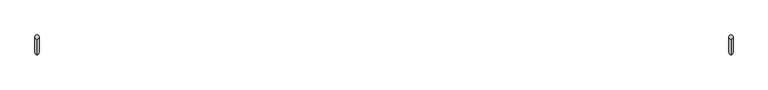
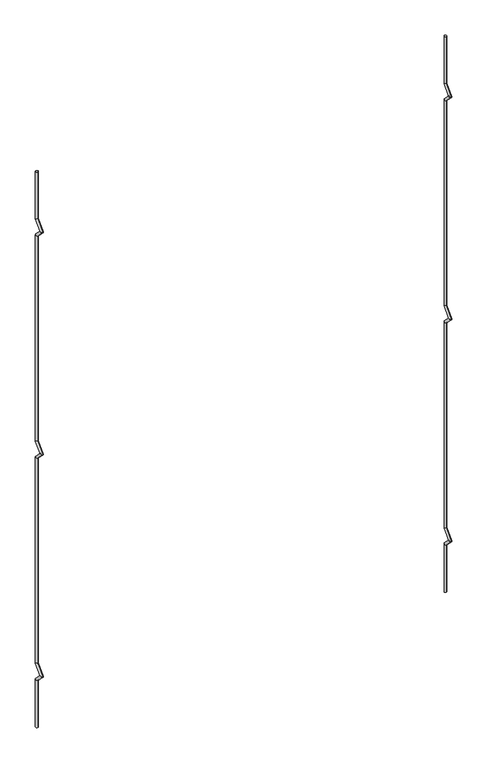
"""IFC4 building model written with IfcOpenShell, lengths in millimetres: railing geometry."""

from ifc_helpers import new_model, si_unit, frame, origin, place, context, project, spatial, circle_curve, ellipse_curve, source, transform, mapped, element, save
from ifc_brep_helpers import plane_surface, cylinder_surface, advanced_brep


def railing_22e59eec(model_context):
    return source(origin(), model_context, "Body", "AdvancedBrep", [
        advanced_brep(
        [(-19528.4056958, 13589.3554142, 25.4), (-19528.4056958, 13583.0054142, 25.4), (-19528.4056958, 13583.0054142, 154.0342316), (-19528.4056958, 13589.3554142, 156.6644878), (-19528.4056958, 13559.2396458, 177.8), (-19528.4056958, 13568.219902, 177.8), (-19528.4056958, 13583.0054142, 201.5657684), (-19528.4056958, 13589.3554142, 198.9355122), (-19528.4056958, 13583.0054142, 763.6342316), (-19528.4056958, 13589.3554142, 766.2644878), (-19528.4056958, 13559.2396458, 787.4), (-19528.4056958, 13568.219902, 787.4), (-19528.4056958, 13583.0054142, 811.1657684), (-19528.4056958, 13589.3554142, 808.5355122), (-19528.4056958, 13583.0054142, 1373.2342316), (-19528.4056958, 13589.3554142, 1375.8644878), (-19528.4056958, 13559.2396458, 1397.0), (-19528.4056958, 13568.219902, 1397.0), (-19528.4056958, 13583.0054142, 1420.7657684), (-19528.4056958, 13589.3554142, 1418.1355122), (-19528.4056958, 13589.3554142, 1549.4), (-19528.4056958, 13583.0054142, 1549.4)],
        [
            (0, 1, circle_curve(frame((-19528.4056958, 13586.1804142, 25.4), z_axis=(0.0, 0.0, -1.0), x_axis=(0.0, -1.0, 0.0)), 3.175)),
            (1, 0, circle_curve(frame((-19528.4056958, 13586.1804142, 25.4), z_axis=(0.0, 0.0, -1.0), x_axis=(0.0, -1.0, 0.0)), 3.175)),
            (1, 2),
            (2, 3, ellipse_curve(frame((-19528.4056958, 13586.1804142, 155.3493597), z_axis=(0.0, 0.3826834323650955, -0.9238795325112844), x_axis=(0.0, -0.9238795325112845, -0.38268343236509544)), 3.4365952, 3.175)),
            (3, 0),
            (3, 2, ellipse_curve(frame((-19528.4056958, 13586.1804142, 155.3493597), z_axis=(0.0, 0.3826834323650955, -0.9238795325112844), x_axis=(0.0, -0.9238795325112845, -0.38268343236509544)), 3.4365952, 3.175)),
            (2, 4),
            (4, 5, ellipse_curve(frame((-19528.4056958, 13563.7297739, 177.8), z_axis=(0.0, 0.0, -1.0), x_axis=(0.0, 1.0, 0.0)), 4.4901281, 3.175)),
            (5, 3),
            (5, 4, ellipse_curve(frame((-19528.4056958, 13563.7297739, 177.8), z_axis=(0.0, 0.0, -1.0), x_axis=(0.0, 1.0, 0.0)), 4.4901281, 3.175)),
            (4, 6),
            (6, 7, ellipse_curve(frame((-19528.4056958, 13586.1804142, 200.2506403), z_axis=(0.0, -0.3826834323650839, -0.9238795325112892), x_axis=(0.0, -0.9238795325112893, 0.38268343236508373)), 3.4365952, 3.175)),
            (7, 5),
            (7, 6, ellipse_curve(frame((-19528.4056958, 13586.1804142, 200.2506403), z_axis=(0.0, -0.3826834323650839, -0.9238795325112892), x_axis=(0.0, -0.9238795325112893, 0.38268343236508373)), 3.4365952, 3.175)),
            (6, 8),
            (8, 9, ellipse_curve(frame((-19528.4056958, 13586.1804142, 764.9493597), z_axis=(0.0, 0.3826834323651107, -0.9238795325112781), x_axis=(0.0, -0.9238795325112781, -0.3826834323651108)), 3.4365952, 3.175)),
            (9, 7),
            (9, 8, ellipse_curve(frame((-19528.4056958, 13586.1804142, 764.9493597), z_axis=(0.0, 0.3826834323651107, -0.9238795325112781), x_axis=(0.0, -0.9238795325112781, -0.3826834323651108)), 3.4365952, 3.175)),
            (8, 10),
            (10, 11, ellipse_curve(frame((-19528.4056958, 13563.7297739, 787.4), z_axis=(0.0, 0.0, -1.0), x_axis=(0.0, 1.0, 0.0)), 4.4901281, 3.175)),
            (11, 9),
            (11, 10, ellipse_curve(frame((-19528.4056958, 13563.7297739, 787.4), z_axis=(0.0, 0.0, -1.0), x_axis=(0.0, 1.0, 0.0)), 4.4901281, 3.175)),
            (10, 12),
            (12, 13, ellipse_curve(frame((-19528.4056958, 13586.1804142, 809.8506403), z_axis=(0.0, -0.3826834323650702, -0.9238795325112948), x_axis=(0.0, -0.9238795325112948, 0.38268343236507046)), 3.4365952, 3.175)),
            (13, 11),
            (13, 12, ellipse_curve(frame((-19528.4056958, 13586.1804142, 809.8506403), z_axis=(0.0, -0.3826834323650702, -0.9238795325112948), x_axis=(0.0, -0.9238795325112948, 0.38268343236507046)), 3.4365952, 3.175)),
            (12, 14),
            (14, 15, ellipse_curve(frame((-19528.4056958, 13586.1804142, 1374.5493597), z_axis=(0.0, 0.3826834323650811, -0.9238795325112903), x_axis=(0.0, -0.9238795325112901, -0.3826834323650815)), 3.4365952, 3.175)),
            (15, 13),
            (15, 14, ellipse_curve(frame((-19528.4056958, 13586.1804142, 1374.5493597), z_axis=(0.0, 0.3826834323650811, -0.9238795325112903), x_axis=(0.0, -0.9238795325112901, -0.3826834323650815)), 3.4365952, 3.175)),
            (14, 16),
            (16, 17, ellipse_curve(frame((-19528.4056958, 13563.7297739, 1397.0), z_axis=(0.0, 0.0, -1.0), x_axis=(0.0, 1.0, 0.0)), 4.4901281, 3.175)),
            (17, 15),
            (17, 16, ellipse_curve(frame((-19528.4056958, 13563.7297739, 1397.0), z_axis=(0.0, 0.0, -1.0), x_axis=(0.0, 1.0, 0.0)), 4.4901281, 3.175)),
            (16, 18),
            (18, 19, ellipse_curve(frame((-19528.4056958, 13586.1804142, 1419.4506403), z_axis=(0.0, -0.38268343236509844, -0.9238795325112833), x_axis=(0.0, -0.9238795325112827, 0.38268343236509916)), 3.4365952, 3.175)),
            (19, 17),
            (19, 18, ellipse_curve(frame((-19528.4056958, 13586.1804142, 1419.4506403), z_axis=(0.0, -0.38268343236509844, -0.9238795325112833), x_axis=(0.0, -0.9238795325112827, 0.38268343236509916)), 3.4365952, 3.175)),
            (20, 21, circle_curve(frame((-19528.4056958, 13586.1804142, 1549.4), z_axis=(0.0, 0.0, 1.0), x_axis=(0.0, -1.0, 0.0)), 3.175)),
            (21, 20, circle_curve(frame((-19528.4056958, 13586.1804142, 1549.4), z_axis=(0.0, 0.0, 1.0), x_axis=(0.0, -1.0, 0.0)), 3.175)),
            (18, 21),
            (20, 19),
        ],
        [
            plane_surface(frame((-19528.4056958, 13586.1804142, 25.4), z_axis=(0.0, 0.0, -1.0), x_axis=(-1.0, 0.0, 0.0))),
            cylinder_surface(frame((-19528.4056958, 13586.1804142, 25.4), z_axis=(0.0, 0.0, -1.0), x_axis=(0.0, -1.0, 0.0)), 3.175),
            cylinder_surface(frame((-19528.4056958, 13586.1804142, 155.3493597), z_axis=(0.0, 0.7071067811865563, -0.7071067811865388), x_axis=(0.0, -0.7071067811865388, -0.7071067811865563)), 3.175),
            cylinder_surface(frame((-19528.4056958, 13563.7297739, 177.8), z_axis=(0.0, -0.7071067811865385, -0.7071067811865568), x_axis=(0.0, -0.7071067811865568, 0.7071067811865385)), 3.175),
            cylinder_surface(frame((-19528.4056958, 13586.1804142, 200.2506403), z_axis=(0.0, 0.0, -1.0), x_axis=(0.0, -1.0, 0.0)), 3.175),
            cylinder_surface(frame((-19528.4056958, 13586.1804142, 764.9493597), z_axis=(0.0, 0.7071067811865798, -0.7071067811865153), x_axis=(0.0, -0.7071067811865153, -0.7071067811865798)), 3.175),
            cylinder_surface(frame((-19528.4056958, 13563.7297739, 787.4), z_axis=(0.0, -0.7071067811865173, -0.7071067811865779), x_axis=(0.0, -0.7071067811865779, 0.7071067811865173)), 3.175),
            cylinder_surface(frame((-19528.4056958, 13586.1804142, 809.8506403), z_axis=(0.0, 0.0, -1.0), x_axis=(0.0, -1.0, 0.0)), 3.175),
            cylinder_surface(frame((-19528.4056958, 13586.1804142, 1374.5493597), z_axis=(0.0, 0.7071067811865346, -0.7071067811865605), x_axis=(0.0, -0.7071067811865605, -0.7071067811865346)), 3.175),
            cylinder_surface(frame((-19528.4056958, 13563.7297739, 1397.0), z_axis=(0.0, -0.7071067811865608, -0.7071067811865344), x_axis=(0.0, -0.7071067811865344, 0.7071067811865608)), 3.175),
            plane_surface(frame((-19528.4056958, 13586.1804142, 1549.4), z_axis=(0.0, 0.0, 1.0), x_axis=(-1.0, 0.0, 0.0))),
            cylinder_surface(frame((-19528.4056958, 13586.1804142, 1419.4506403), z_axis=(0.0, 0.0, -1.0), x_axis=(0.0, -1.0, 0.0)), 3.175),
        ],
        [
            (0, [[1, 2]]),
            (1, [[3, 4, 5, -2]]),
            (1, [[-5, 6, -3, -1]]),
            (2, [[7, 8, 9, -4]]),
            (2, [[-9, 10, -7, -6]]),
            (3, [[11, 12, 13, -8]]),
            (3, [[-13, 14, -11, -10]]),
            (4, [[15, 16, 17, -12]]),
            (4, [[-17, 18, -15, -14]]),
            (5, [[19, 20, 21, -16]]),
            (5, [[-21, 22, -19, -18]]),
            (6, [[23, 24, 25, -20]]),
            (6, [[-25, 26, -23, -22]]),
            (7, [[27, 28, 29, -24]]),
            (7, [[-29, 30, -27, -26]]),
            (8, [[31, 32, 33, -28]]),
            (8, [[-33, 34, -31, -30]]),
            (9, [[35, 36, 37, -32]]),
            (9, [[-37, 38, -35, -34]]),
            (10, [[39, 40]]),
            (11, [[41, -39, 42, -36]]),
            (11, [[-42, -40, -41, -38]]),
        ],
    ),
        advanced_brep(
        [(-18467.9556958, 13589.3554142, 25.4), (-18467.9556958, 13583.0054142, 25.4), (-18467.9556958, 13583.0054142, 154.0342316), (-18467.9556958, 13589.3554142, 156.6644878), (-18467.9556958, 13559.2396458, 177.8), (-18467.9556958, 13568.219902, 177.8), (-18467.9556958, 13583.0054142, 201.5657684), (-18467.9556958, 13589.3554142, 198.9355122), (-18467.9556958, 13583.0054142, 763.6342316), (-18467.9556958, 13589.3554142, 766.2644878), (-18467.9556958, 13559.2396458, 787.4), (-18467.9556958, 13568.219902, 787.4), (-18467.9556958, 13583.0054142, 811.1657684), (-18467.9556958, 13589.3554142, 808.5355122), (-18467.9556958, 13583.0054142, 1373.2342316), (-18467.9556958, 13589.3554142, 1375.8644878), (-18467.9556958, 13559.2396458, 1397.0), (-18467.9556958, 13568.219902, 1397.0), (-18467.9556958, 13583.0054142, 1420.7657684), (-18467.9556958, 13589.3554142, 1418.1355122), (-18467.9556958, 13589.3554142, 1549.4), (-18467.9556958, 13583.0054142, 1549.4)],
        [
            (0, 1, circle_curve(frame((-18467.9556958, 13586.1804142, 25.4), z_axis=(0.0, 0.0, -1.0), x_axis=(0.0, -1.0, 0.0)), 3.175)),
            (1, 0, circle_curve(frame((-18467.9556958, 13586.1804142, 25.4), z_axis=(0.0, 0.0, -1.0), x_axis=(0.0, -1.0, 0.0)), 3.175)),
            (1, 2),
            (2, 3, ellipse_curve(frame((-18467.9556958, 13586.1804142, 155.3493597), z_axis=(0.0, 0.3826834323650955, -0.9238795325112844), x_axis=(0.0, -0.9238795325112845, -0.38268343236509544)), 3.4365952, 3.175)),
            (3, 0),
            (3, 2, ellipse_curve(frame((-18467.9556958, 13586.1804142, 155.3493597), z_axis=(0.0, 0.3826834323650955, -0.9238795325112844), x_axis=(0.0, -0.9238795325112845, -0.38268343236509544)), 3.4365952, 3.175)),
            (2, 4),
            (4, 5, ellipse_curve(frame((-18467.9556958, 13563.7297739, 177.8), z_axis=(0.0, 0.0, -1.0), x_axis=(0.0, 1.0, 0.0)), 4.4901281, 3.175)),
            (5, 3),
            (5, 4, ellipse_curve(frame((-18467.9556958, 13563.7297739, 177.8), z_axis=(0.0, 0.0, -1.0), x_axis=(0.0, 1.0, 0.0)), 4.4901281, 3.175)),
            (4, 6),
            (6, 7, ellipse_curve(frame((-18467.9556958, 13586.1804142, 200.2506403), z_axis=(0.0, -0.3826834323650839, -0.9238795325112892), x_axis=(0.0, -0.9238795325112893, 0.38268343236508373)), 3.4365952, 3.175)),
            (7, 5),
            (7, 6, ellipse_curve(frame((-18467.9556958, 13586.1804142, 200.2506403), z_axis=(0.0, -0.3826834323650839, -0.9238795325112892), x_axis=(0.0, -0.9238795325112893, 0.38268343236508373)), 3.4365952, 3.175)),
            (6, 8),
            (8, 9, ellipse_curve(frame((-18467.9556958, 13586.1804142, 764.9493597), z_axis=(0.0, 0.3826834323651107, -0.9238795325112781), x_axis=(0.0, -0.9238795325112781, -0.3826834323651108)), 3.4365952, 3.175)),
            (9, 7),
            (9, 8, ellipse_curve(frame((-18467.9556958, 13586.1804142, 764.9493597), z_axis=(0.0, 0.3826834323651107, -0.9238795325112781), x_axis=(0.0, -0.9238795325112781, -0.3826834323651108)), 3.4365952, 3.175)),
            (8, 10),
            (10, 11, ellipse_curve(frame((-18467.9556958, 13563.7297739, 787.4), z_axis=(0.0, 0.0, -1.0), x_axis=(0.0, 1.0, 0.0)), 4.4901281, 3.175)),
            (11, 9),
            (11, 10, ellipse_curve(frame((-18467.9556958, 13563.7297739, 787.4), z_axis=(0.0, 0.0, -1.0), x_axis=(0.0, 1.0, 0.0)), 4.4901281, 3.175)),
            (10, 12),
            (12, 13, ellipse_curve(frame((-18467.9556958, 13586.1804142, 809.8506403), z_axis=(0.0, -0.3826834323650702, -0.9238795325112948), x_axis=(0.0, -0.9238795325112948, 0.38268343236507046)), 3.4365952, 3.175)),
            (13, 11),
            (13, 12, ellipse_curve(frame((-18467.9556958, 13586.1804142, 809.8506403), z_axis=(0.0, -0.3826834323650702, -0.9238795325112948), x_axis=(0.0, -0.9238795325112948, 0.38268343236507046)), 3.4365952, 3.175)),
            (12, 14),
            (14, 15, ellipse_curve(frame((-18467.9556958, 13586.1804142, 1374.5493597), z_axis=(0.0, 0.3826834323650811, -0.9238795325112903), x_axis=(0.0, -0.9238795325112901, -0.3826834323650815)), 3.4365952, 3.175)),
            (15, 13),
            (15, 14, ellipse_curve(frame((-18467.9556958, 13586.1804142, 1374.5493597), z_axis=(0.0, 0.3826834323650811, -0.9238795325112903), x_axis=(0.0, -0.9238795325112901, -0.3826834323650815)), 3.4365952, 3.175)),
            (14, 16),
            (16, 17, ellipse_curve(frame((-18467.9556958, 13563.7297739, 1397.0), z_axis=(0.0, 0.0, -1.0), x_axis=(0.0, 1.0, 0.0)), 4.4901281, 3.175)),
            (17, 15),
            (17, 16, ellipse_curve(frame((-18467.9556958, 13563.7297739, 1397.0), z_axis=(0.0, 0.0, -1.0), x_axis=(0.0, 1.0, 0.0)), 4.4901281, 3.175)),
            (16, 18),
            (18, 19, ellipse_curve(frame((-18467.9556958, 13586.1804142, 1419.4506403), z_axis=(0.0, -0.38268343236509844, -0.9238795325112833), x_axis=(0.0, -0.9238795325112827, 0.38268343236509916)), 3.4365952, 3.175)),
            (19, 17),
            (19, 18, ellipse_curve(frame((-18467.9556958, 13586.1804142, 1419.4506403), z_axis=(0.0, -0.38268343236509844, -0.9238795325112833), x_axis=(0.0, -0.9238795325112827, 0.38268343236509916)), 3.4365952, 3.175)),
            (20, 21, circle_curve(frame((-18467.9556958, 13586.1804142, 1549.4), z_axis=(0.0, 0.0, 1.0), x_axis=(0.0, -1.0, 0.0)), 3.175)),
            (21, 20, circle_curve(frame((-18467.9556958, 13586.1804142, 1549.4), z_axis=(0.0, 0.0, 1.0), x_axis=(0.0, -1.0, 0.0)), 3.175)),
            (18, 21),
            (20, 19),
        ],
        [
            plane_surface(frame((-18467.9556958, 13586.1804142, 25.4), z_axis=(0.0, 0.0, -1.0), x_axis=(-1.0, 0.0, 0.0))),
            cylinder_surface(frame((-18467.9556958, 13586.1804142, 25.4), z_axis=(0.0, 0.0, -1.0), x_axis=(0.0, -1.0, 0.0)), 3.175),
            cylinder_surface(frame((-18467.9556958, 13586.1804142, 155.3493597), z_axis=(0.0, 0.7071067811865563, -0.7071067811865388), x_axis=(0.0, -0.7071067811865388, -0.7071067811865563)), 3.175),
            cylinder_surface(frame((-18467.9556958, 13563.7297739, 177.8), z_axis=(0.0, -0.7071067811865385, -0.7071067811865568), x_axis=(0.0, -0.7071067811865568, 0.7071067811865385)), 3.175),
            cylinder_surface(frame((-18467.9556958, 13586.1804142, 200.2506403), z_axis=(0.0, 0.0, -1.0), x_axis=(0.0, -1.0, 0.0)), 3.175),
            cylinder_surface(frame((-18467.9556958, 13586.1804142, 764.9493597), z_axis=(0.0, 0.7071067811865798, -0.7071067811865153), x_axis=(0.0, -0.7071067811865153, -0.7071067811865798)), 3.175),
            cylinder_surface(frame((-18467.9556958, 13563.7297739, 787.4), z_axis=(0.0, -0.7071067811865173, -0.7071067811865779), x_axis=(0.0, -0.7071067811865779, 0.7071067811865173)), 3.175),
            cylinder_surface(frame((-18467.9556958, 13586.1804142, 809.8506403), z_axis=(0.0, 0.0, -1.0), x_axis=(0.0, -1.0, 0.0)), 3.175),
            cylinder_surface(frame((-18467.9556958, 13586.1804142, 1374.5493597), z_axis=(0.0, 0.7071067811865346, -0.7071067811865605), x_axis=(0.0, -0.7071067811865605, -0.7071067811865346)), 3.175),
            cylinder_surface(frame((-18467.9556958, 13563.7297739, 1397.0), z_axis=(0.0, -0.7071067811865608, -0.7071067811865344), x_axis=(0.0, -0.7071067811865344, 0.7071067811865608)), 3.175),
            plane_surface(frame((-18467.9556958, 13586.1804142, 1549.4), z_axis=(0.0, 0.0, 1.0), x_axis=(-1.0, 0.0, 0.0))),
            cylinder_surface(frame((-18467.9556958, 13586.1804142, 1419.4506403), z_axis=(0.0, 0.0, -1.0), x_axis=(0.0, -1.0, 0.0)), 3.175),
        ],
        [
            (0, [[1, 2]]),
            (1, [[3, 4, 5, -2]]),
            (1, [[-5, 6, -3, -1]]),
            (2, [[7, 8, 9, -4]]),
            (2, [[-9, 10, -7, -6]]),
            (3, [[11, 12, 13, -8]]),
            (3, [[-13, 14, -11, -10]]),
            (4, [[15, 16, 17, -12]]),
            (4, [[-17, 18, -15, -14]]),
            (5, [[19, 20, 21, -16]]),
            (5, [[-21, 22, -19, -18]]),
            (6, [[23, 24, 25, -20]]),
            (6, [[-25, 26, -23, -22]]),
            (7, [[27, 28, 29, -24]]),
            (7, [[-29, 30, -27, -26]]),
            (8, [[31, 32, 33, -28]]),
            (8, [[-33, 34, -31, -30]]),
            (9, [[35, 36, 37, -32]]),
            (9, [[-37, 38, -35, -34]]),
            (10, [[39, 40]]),
            (11, [[41, -39, 42, -36]]),
            (11, [[-42, -40, -41, -38]]),
        ],
    ),
    ])


if __name__ == "__main__":
    model = new_model("IFC4")
    model_context = context("Model", 3, world=origin())
    ifc_project = project(units=[si_unit("LENGTHUNIT", "METRE", prefix="MILLI")], contexts=[model_context])
    site = spatial("IfcSite", under=ifc_project)
    building = spatial("IfcBuilding", under=site)
    placement = place(None, origin())
    railing_shape = railing_22e59eec(model_context)
    element("IfcRailing", 1, at=placement, inside=building, context=model_context, shape_type="MappedRepresentation", body=[
        mapped(railing_shape, transform((0.0, 0.0, 0.0), x_axis=(1.0, 0.0, 0.0), y_axis=(0.0, 1.0, 0.0), z_axis=(0.0, 0.0, 1.0))),
    ])
    save(model, "model.ifc")
